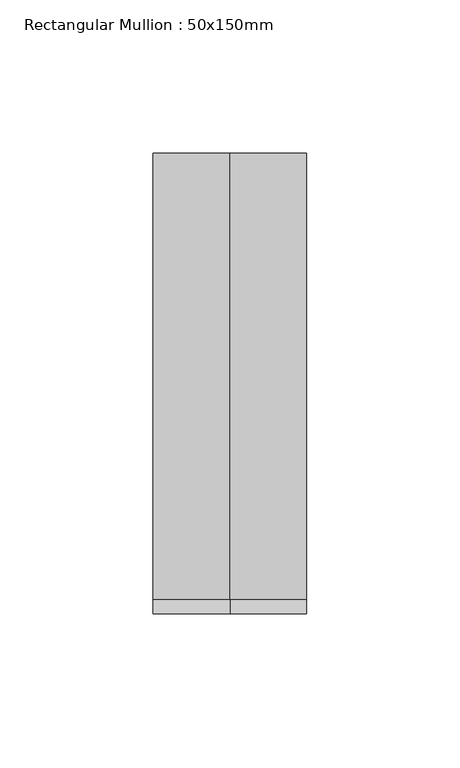
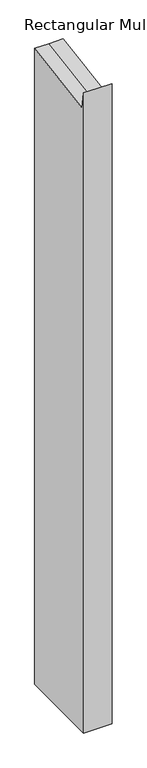
"""IFC4 building model written with IfcOpenShell, lengths in millimetres: member geometry, Rectangular Mullion : 50x150mm."""

from ifc_helpers import new_model, si_unit, origin, place, context, project, spatial, faceted_brep, source, transform, mapped, element, save


def rectangular_mullion_50x150mm_3358b367(model_context):
    return source(origin(), model_context, "Body", "Brep", [
        faceted_brep([(25.0, 75.0, -1176.4757203), (25.0, -75.0, -1176.4757203), (-25.0, -75.0, -1176.4757203), (-25.0, 75.0, -1176.4757203), (-25.0, 75.0, 11.5672049), (0.0, 75.0, 11.5672049), (25.0, 75.0, 11.5672049), (-25.0, -75.0, 19.097372), (-25.0, -70.1657639, -11.4247934), (25.0, -75.0, 19.097372), (0.0, -75.0, 19.097372), (25.0, -70.1657639, -11.4247934), (0.0, -70.1657639, -11.4247934)], [[[0, 1, 2, 3]], [[4, 5, 6, 0, 3]], [[7, 8, 4, 3, 2]], [[9, 10, 7, 2, 1]], [[6, 11, 9, 1, 0]], [[6, 5, 12, 11]], [[5, 4, 8, 12]], [[8, 7, 10, 12]], [[10, 9, 11, 12]]]),
    ])


if __name__ == "__main__":
    model = new_model("IFC4")
    model_context = context("Model", 3, world=origin())
    ifc_project = project(units=[si_unit("LENGTHUNIT", "METRE", prefix="MILLI")], contexts=[model_context])
    site = spatial("IfcSite", under=ifc_project)
    building = spatial("IfcBuilding", under=site)
    placement = place(None, origin())
    rectangular_mullion_50x150mm_shape = rectangular_mullion_50x150mm_3358b367(model_context)
    element("IfcMember", 1, ObjectType="Rectangular Mullion : 50x150mm", at=placement, inside=building, context=model_context, shape_type="MappedRepresentation", body=[
        mapped(rectangular_mullion_50x150mm_shape, transform((0.0, 0.0, 0.0), x_axis=(1.0, 0.0, 0.0), y_axis=(0.0, 1.0, 0.0), z_axis=(0.0, 0.0, 1.0))),
    ])
    save(model, "model.ifc")
